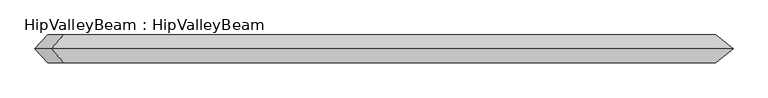
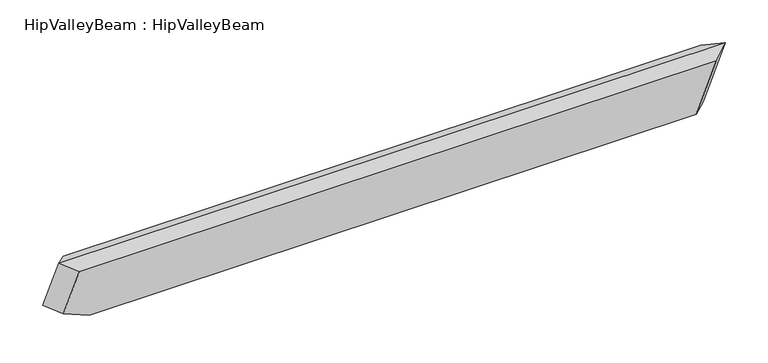
"""IFC4 building model written with IfcOpenShell, lengths in millimetres: beam geometry, HipValleyBeam : HipValleyBeam."""

from ifc_helpers import new_model, si_unit, origin, place, context, project, spatial, faceted_brep, source, transform, mapped, element, save


def hipvalleybeam_hipvalleybeam_e7773d32(model_context):
    return source(origin(), model_context, "Body", "Brep", [
        faceted_brep([(871.027015, -40.0, -160.0), (-912.5838403, -40.0, -160.0), (-912.5838403, 40.0, -160.0), (871.027015, 40.0, -160.0), (914.2319529, 0.0, -160.0), (930.1746074, -40.0, -15.1185789), (-942.5188754, -40.0, -15.1185789), (-988.9403783, -40.0, -128.8275739), (-988.9403783, 40.0, -128.8275739), (-942.5188754, 40.0, -15.1185789), (930.1746074, 40.0, -15.1185789), (979.5516794, 0.0, 0.0), (-979.5516794, 0.0, 0.0), (-1025.9731822, 0.0, -113.708995)], [[[0, 1, 2, 3, 4]], [[5, 6, 7, 1, 0]], [[3, 2, 8, 9, 10]], [[3, 10, 11, 4]], [[4, 11, 5, 0]], [[12, 13, 7, 6]], [[9, 8, 13, 12]], [[12, 6, 5, 11]], [[1, 7, 13, 8, 2]], [[11, 10, 9, 12]]]),
    ])


if __name__ == "__main__":
    model = new_model("IFC4")
    model_context = context("Model", 3, world=origin())
    ifc_project = project(units=[si_unit("LENGTHUNIT", "METRE", prefix="MILLI")], contexts=[model_context])
    site = spatial("IfcSite", under=ifc_project)
    building = spatial("IfcBuilding", under=site)
    placement = place(None, origin())
    hipvalleybeam_hipvalleybeam_shape = hipvalleybeam_hipvalleybeam_e7773d32(model_context)
    element("IfcBeam", 1, ObjectType="HipValleyBeam : HipValleyBeam", at=placement, inside=building, context=model_context, shape_type="MappedRepresentation", body=[
        mapped(hipvalleybeam_hipvalleybeam_shape, transform((0.0, 0.0, 0.0), x_axis=(1.0, 0.0, 0.0), y_axis=(0.0, 1.0, 0.0), z_axis=(0.0, 0.0, 1.0))),
    ])
    save(model, "model.ifc")
